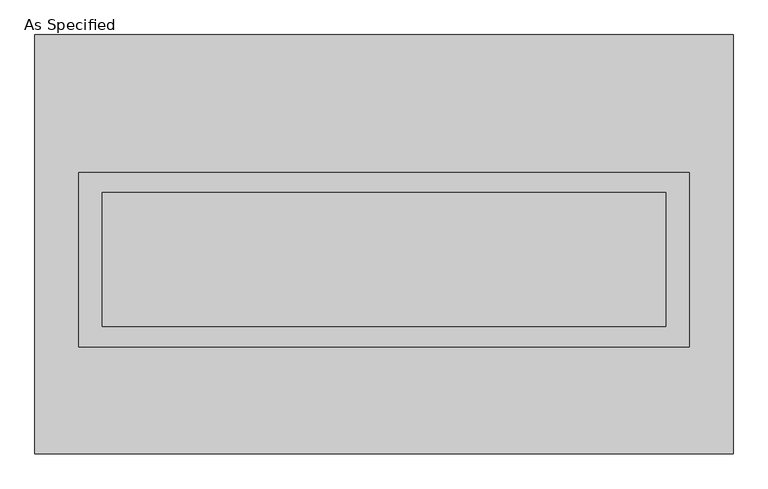
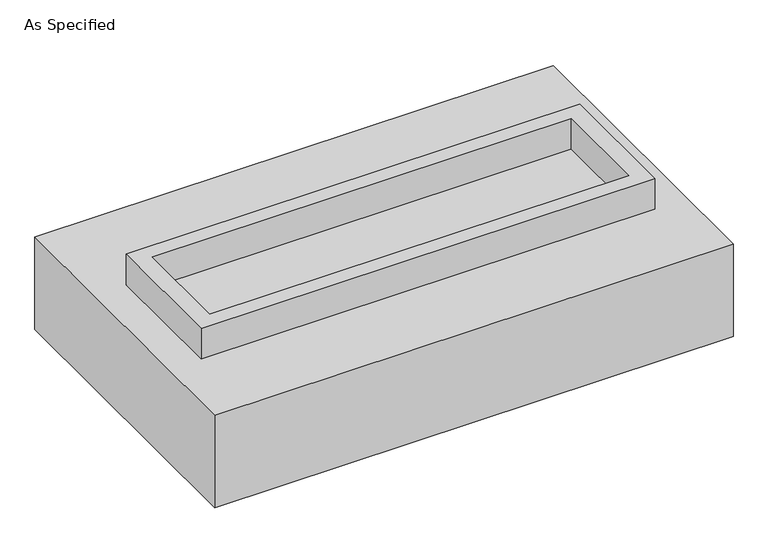
"""IFC4 building model written with IfcOpenShell, lengths in millimetres: proxy geometry, As Specified."""

import ifcopenshell
import ifcopenshell.guid

model = None  # the IFC model being written
_history = None  # IfcOwnerHistory: only IFC2X3 demands one
_inside = {}  # id of a spatial element -> (the spatial element, [elements in it])
_under = {}  # id of a project, library or spatial element -> (it, [spatial elements below it])
_declared = {}  # id of a project -> (the project, [libraries it declares])
_typed = {}  # id of a type object -> (the type object, [elements of that type])
_made_of = {}  # id of a material, layer set ... -> (it, [elements and type objects made of it])


def new_model(schema):
    """Start an empty IFC model of exactly this schema.

    Asked for "IFC4X3", IfcOpenShell would pick the latest addendum, in which some entities
    have other attributes; the version numbers below select the first issue.
    IFC2X3 requires an IfcOwnerHistory on every rooted entity: one is made here for all.
    """
    global model, _history
    if schema == "IFC4X3":
        model = ifcopenshell.file(schema_version=(4, 3, 0, 0))
    else:
        model = ifcopenshell.file(schema=schema)
    _inside.clear()
    _under.clear()
    _declared.clear()
    _typed.clear()
    _made_of.clear()
    _history = None
    if model.schema == "IFC2X3":
        org = make("IfcOrganization", Name="unknown")
        user = make(
            "IfcPersonAndOrganization",
            ThePerson=make("IfcPerson", FamilyName="unknown"),
            TheOrganization=org,
        )
        app = make(
            "IfcApplication",
            ApplicationDeveloper=org,
            Version="unknown",
            ApplicationFullName="unknown",
            ApplicationIdentifier="unknown",
        )
        _history = make(
            "IfcOwnerHistory",
            OwningUser=user,
            OwningApplication=app,
            ChangeAction="ADDED",
            CreationDate=0,
        )
    return model


def make(cls, **values):
    """One entity of the class cls with the attributes given. An attribute that is None is left unset."""
    return model.create_entity(
        cls, **{name: value for name, value in values.items() if value is not None}
    )


def rooted(cls, **values):
    """An entity with a GlobalId (a new one), such as an element, a storey or a relation."""
    return make(cls, GlobalId=ifcopenshell.guid.new(), OwnerHistory=_history, **values)


def si_unit(unit_type, name, prefix=None):
    """IfcSIUnit, for example si_unit("LENGTHUNIT", "METRE", prefix="MILLI")."""
    return make("IfcSIUnit", UnitType=unit_type, Prefix=prefix, Name=name)


def assignment(units):
    """IfcUnitAssignment: the units of a project."""
    return None if units is None else make("IfcUnitAssignment", Units=units)


def point(xyz):
    """IfcCartesianPoint."""
    return None if xyz is None else make("IfcCartesianPoint", Coordinates=xyz)


def direction(xyz):
    """IfcDirection."""
    return None if xyz is None else make("IfcDirection", DirectionRatios=xyz)


def frame(location, z_axis=None, x_axis=None):
    """IfcAxis2Placement3D, a coordinate frame: its origin and axes. An axis left out is left unset."""
    return make(
        "IfcAxis2Placement3D",
        Location=point(location),
        Axis=direction(z_axis),
        RefDirection=direction(x_axis),
    )


def origin():
    """The frame at (0, 0, 0) with its axes left unset."""
    return frame((0.0, 0.0, 0.0))


def place(relative_to, where):
    """IfcLocalPlacement: puts the frame where relative to a parent placement (None: the world)."""
    return make(
        "IfcLocalPlacement", PlacementRelTo=relative_to, RelativePlacement=where
    )


def context(
    kind, dimensions, precision=None, world=None, true_north=None, identifier=None
):
    """IfcGeometricRepresentationContext, for example the 3D "Model" context."""
    return make(
        "IfcGeometricRepresentationContext",
        ContextIdentifier=identifier,
        ContextType=kind,
        CoordinateSpaceDimension=dimensions,
        Precision=precision,
        WorldCoordinateSystem=world,
        TrueNorth=true_north,
    )


def project(units=None, contexts=None):
    """IfcProject with its units and contexts."""
    return rooted(
        "IfcProject",
        Name="project",
        RepresentationContexts=contexts,
        UnitsInContext=assignment(units),
    )


def spatial(cls, under=None, at=None, **own):
    """A site, building, storey or space (cls), placed at a placement, below another one or the project."""
    s = rooted(cls, ObjectPlacement=at, **own)
    if under is not None:
        _under.setdefault(under.id(), (under, []))[1].append(s)
    return s


def polyline(points):
    """IfcPolyline through the points."""
    return make("IfcPolyline", Points=[point(p) for p in points])


def outline(outer, holes=None, kind="AREA"):
    """IfcArbitraryClosedProfileDef: a profile drawn as a closed curve; with holes, ...WithVoids."""
    if holes is None:
        return make("IfcArbitraryClosedProfileDef", ProfileType=kind, OuterCurve=outer)
    return make(
        "IfcArbitraryProfileDefWithVoids",
        ProfileType=kind,
        OuterCurve=outer,
        InnerCurves=holes,
    )


def extrude(swept, where, along, depth):
    """IfcExtrudedAreaSolid: the profile swept, set in the frame where, extruded along a direction by depth."""
    return make(
        "IfcExtrudedAreaSolid",
        SweptArea=swept,
        Position=where,
        ExtrudedDirection=direction(along),
        Depth=depth,
    )


def faces_of(points, faces, orient=None, outer=None):
    """IfcFace entities. A face is a list of loops; a loop is a list of indices into points, from 0.

    orient and outer hold one flag for each loop. By default every Orientation is true, the
    first loop of a face is its IfcFaceOuterBound and the others are IfcFaceBound.
    """
    made = []
    for i, loops in enumerate(faces):
        bounds = []
        for j, loop in enumerate(loops):
            is_outer = j == 0 if outer is None else outer[i][j]
            bounds.append(
                make(
                    "IfcFaceOuterBound" if is_outer else "IfcFaceBound",
                    Bound=make("IfcPolyLoop", Polygon=[points[k] for k in loop]),
                    Orientation=True if orient is None else orient[i][j],
                )
            )
        made.append(make("IfcFace", Bounds=bounds))
    return made


def faceted_brep(points, faces, orient=None, outer=None, voids=None):
    """IfcFacetedBrep: a solid bounded by flat faces; with voids (closed shells), ...WithVoids."""
    shared = [point(p) for p in points]
    hull = make("IfcClosedShell", CfsFaces=faces_of(shared, faces, orient, outer))
    if voids is None:
        return make("IfcFacetedBrep", Outer=hull)
    return make(
        "IfcFacetedBrepWithVoids",
        Outer=hull,
        Voids=[
            make(cls, CfsFaces=faces_of(shared, fs, o, b)) for cls, fs, o, b in voids
        ],
    )


def shape(context_of_items, identifier, shape_type, items):
    """IfcShapeRepresentation: the items that make up one representation, for example the "Body"."""
    return make(
        "IfcShapeRepresentation",
        ContextOfItems=context_of_items,
        RepresentationIdentifier=identifier,
        RepresentationType=shape_type,
        Items=items,
    )


def source(mapping_origin, context_of_items, identifier, shape_type, items):
    """IfcRepresentationMap: a shape defined once, which mapped items show again and again."""
    return make(
        "IfcRepresentationMap",
        MappingOrigin=mapping_origin,
        MappedRepresentation=shape(context_of_items, identifier, shape_type, items),
    )


def transform(
    local_origin,
    x_axis=None,
    y_axis=None,
    z_axis=None,
    scale=None,
    scale2=None,
    scale3=None,
    uniform=True,
):
    """IfcCartesianTransformationOperator3D, or its non-uniform kind. x_axis, y_axis, z_axis: its Axis1, 2, 3."""
    if uniform:
        return make(
            "IfcCartesianTransformationOperator3D",
            Axis1=direction(x_axis),
            Axis2=direction(y_axis),
            LocalOrigin=point(local_origin),
            Scale=scale,
            Axis3=direction(z_axis),
        )
    return make(
        "IfcCartesianTransformationOperator3DnonUniform",
        Axis1=direction(x_axis),
        Axis2=direction(y_axis),
        LocalOrigin=point(local_origin),
        Scale=scale,
        Axis3=direction(z_axis),
        Scale2=scale2,
        Scale3=scale3,
    )


def mapped(mapping_source, mapping_target):
    """IfcMappedItem: shows the shape of a source again, moved by a transform."""
    return make(
        "IfcMappedItem", MappingSource=mapping_source, MappingTarget=mapping_target
    )


def made_of(thing, what):
    """Note that an element or type object is made of a material, layer set ...; save() writes the relation."""
    if what is not None:
        _made_of.setdefault(what.id(), (what, []))[1].append(thing)
    return thing


def element(
    cls,
    number,
    at=None,
    inside=None,
    cuts=None,
    type_object=None,
    material=None,
    context=None,
    identifier="Body",
    shape_type=None,
    held_by="IfcProductDefinitionShape",
    body=None,
    shapes=None,
    **own,
):
    """One element of the class cls, such as IfcWall. Its Tag is "e" and its number.

    at: its placement. inside: the storey or other place that contains it. cuts: it is an
    opening in that element (IfcRelVoidsElement). A single representation is given by context,
    identifier, shape_type and body (its items); several are given by shapes. held_by: the class
    of the entity that holds the representations. save() writes the other relations.
    """
    e = rooted(cls, Tag="e%d" % number, ObjectPlacement=at, **own)
    if body is not None:
        shapes = [shape(context, identifier, shape_type, body)]
    if shapes is not None:
        e.Representation = make(held_by, Representations=shapes)
    if inside is not None:
        _inside.setdefault(inside.id(), (inside, []))[1].append(e)
    if cuts is not None:
        rooted(
            "IfcRelVoidsElement", RelatingBuildingElement=cuts, RelatedOpeningElement=e
        )
    if type_object is not None:
        _typed.setdefault(type_object.id(), (type_object, []))[1].append(e)
    return made_of(e, material)


def aggregate(whole, parts):
    """IfcRelAggregates: a whole, such as a stair, and the parts it consists of."""
    return rooted("IfcRelAggregates", RelatingObject=whole, RelatedObjects=parts)


def save(model, path):
    """Write the relations noted so far, then the file.

    IfcRelAggregates (storeys below a building ...), IfcRelContainedInSpatialStructure (elements
    in a storey), IfcRelDefinesByType, IfcRelAssociatesMaterial and IfcRelDeclares: one each for
    every whole, place, type object, material and project.
    """
    for whole, parts in _under.values():
        aggregate(whole, parts)
    for where, things in _inside.values():
        rooted(
            "IfcRelContainedInSpatialStructure",
            RelatedElements=things,
            RelatingStructure=where,
        )
    for kind, things in _typed.values():
        rooted("IfcRelDefinesByType", RelatedObjects=things, RelatingType=kind)
    for what, things in _made_of.values():
        rooted("IfcRelAssociatesMaterial", RelatedObjects=things, RelatingMaterial=what)
    for by, libraries in _declared.values():
        rooted("IfcRelDeclares", RelatingContext=by, RelatedDefinitions=libraries)
    model.write(path)


def as_specified_e8d2f40a(model_context):
    return source(origin(), model_context, "Body", "SolidModel", [
        extrude(outline(polyline([(1155.7, 273.05), (1155.7, -387.35), (-1155.7, -387.35), (-1155.7, 273.05), (1155.7, 273.05)]), holes=[polyline([(1066.8, 196.85), (-1066.8, 196.85), (-1066.8, -311.15), (1066.8, -311.15), (1066.8, 196.85)])]), frame((0.0, 0.0, -25.4), z_axis=(0.0, 0.0, 1.0), x_axis=(1.0, 0.0, 0.0)), (0.0, 0.0, 1.0), 165.1),
        extrude(outline(polyline([(1066.8, 196.85), (1066.8, -311.15), (-1066.8, -311.15), (-1066.8, 196.85), (1066.8, 196.85)])), frame((0.0, 0.0, -30.3609375), z_axis=(0.0, 0.0, 1.0), x_axis=(1.0, 0.0, 0.0)), (0.0, 0.0, 1.0), 4.9609375),
        faceted_brep([(1320.8, -793.75, -523.875), (-1320.8, -793.75, -523.875), (-1320.8, 793.75, -523.875), (1320.8, 793.75, -523.875), (1320.8, 793.75, -25.4), (-1320.8, 793.75, -25.4), (-1320.8, -793.75, -25.4), (1320.8, -793.75, -25.4), (1155.7, 273.05, -25.4), (1155.7, -387.35, -25.4), (-1155.7, -387.35, -25.4), (-1155.7, 273.05, -25.4), (1155.7, 273.05, -498.475), (-1155.7, 273.05, -498.475), (-1155.7, -387.35, -498.475), (1155.7, -387.35, -498.475)], [[[0, 1, 2, 3]], [[4, 5, 6, 7], [8, 9, 10, 11]], [[3, 2, 5, 4]], [[2, 1, 6, 5]], [[0, 3, 4, 7]], [[12, 13, 14, 15]], [[14, 13, 11, 10]], [[13, 12, 8, 11]], [[12, 15, 9, 8]], [[10, 9, 15, 14]], [[1, 0, 7, 6]]]),
    ])


if __name__ == "__main__":
    model = new_model("IFC4")
    model_context = context("Model", 3, world=origin())
    ifc_project = project(units=[si_unit("LENGTHUNIT", "METRE", prefix="MILLI")], contexts=[model_context])
    site = spatial("IfcSite", under=ifc_project)
    building = spatial("IfcBuilding", under=site)
    placement = place(None, origin())
    as_specified_shape = as_specified_e8d2f40a(model_context)
    element("IfcBuildingElementProxy", 1, Name="As Specified", ObjectType="As Specified", at=placement, inside=building, context=model_context, shape_type="MappedRepresentation", body=[
        mapped(as_specified_shape, transform((0.0, 0.0, 0.0), x_axis=(1.0, 0.0, 0.0), y_axis=(0.0, 1.0, 0.0), z_axis=(0.0, 0.0, 1.0))),
    ])
    save(model, "model.ifc")
